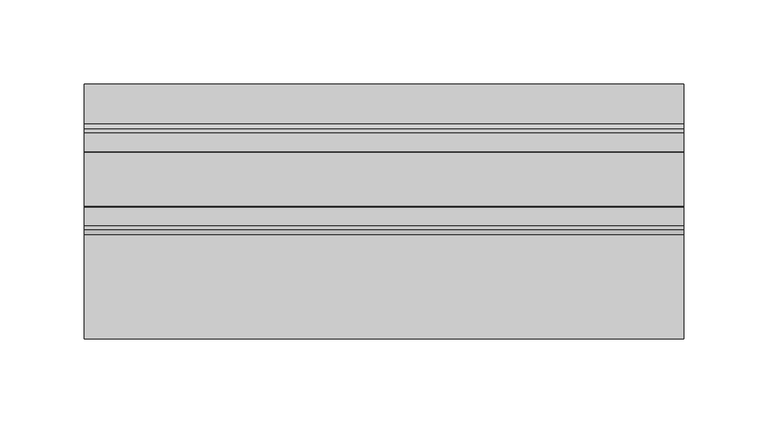
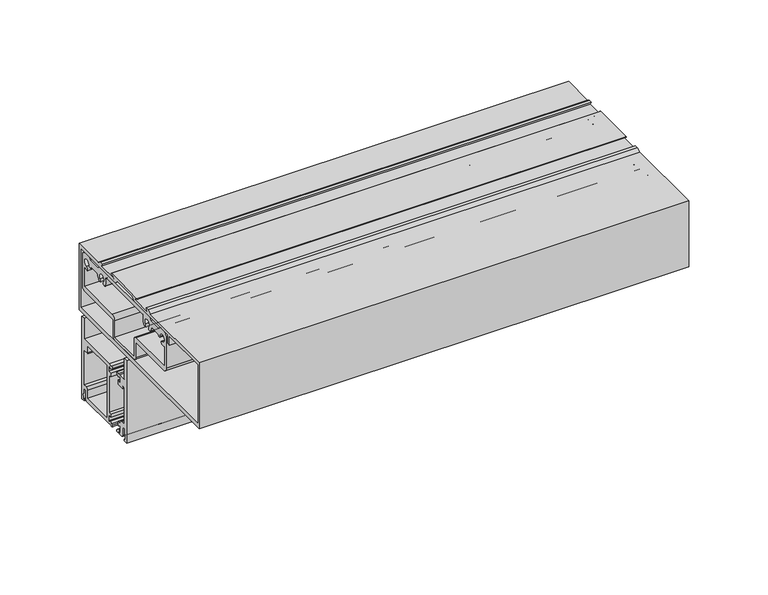
"""IFC4 building model written with IfcOpenShell, lengths in millimetres: plate geometry."""

from ifc_helpers import new_model, si_unit, point, frame, frame_2d, origin, place, context, project, spatial, polyline, circle_curve, trimmed, segment, composite_curve, outline, extrude, source, transform, mapped, element, save


def plate_07cf5c32(model_context):
    return source(origin(), model_context, "Body", "SweptSolid", [
        extrude(outline(composite_curve([segment(polyline([(19.0500001, 280.6474153), (19.0500001, 296.5224153), (21.8948001, 296.5224153), (21.8948001, 233.0224153), (19.0500001, 233.0224153), (19.0500001, 234.2924153), (19.862795, 234.2924153), (19.4499993, 242.5220153), (17.0688001, 242.5220153), (17.0688001, 236.1910934)]), True, "CONTINUOUS"), segment(trimmed(circle_curve(frame_2d((15.4940001, 236.1910934)), 1.5748), [point((17.0688001, 236.1910934))], [point((15.4940001, 234.6162934))], False, "CARTESIAN"), True, "CONTINUOUS"), segment(polyline([(15.4940001, 234.6162934), (-12.4616861, 234.6162934), (-14.6792966, 235.2105003), (-15.283713, 234.707152)]), True, "CONTINUOUS"), segment(trimmed(circle_curve(frame_2d((-15.8690069, 235.287496)), 0.8242378), [point((-15.283713, 234.707152))], [point((-16.5466491, 235.7567177))], False, "CARTESIAN"), True, "CONTINUOUS"), segment(polyline([(-16.5466491, 235.7567177), (-15.8444381, 236.7708392), (-14.1842071, 237.500107), (-12.9464135, 236.3561103)]), True, "CONTINUOUS"), segment(trimmed(circle_curve(frame_2d((-12.3966681, 236.5800475)), 0.5936058), [point((-12.9464135, 236.3561103))], [point((-11.8030624, 236.5800475))], True, "CARTESIAN"), True, "CONTINUOUS"), segment(polyline([(-11.8030624, 236.5800475), (-11.8030624, 241.6113576), (-14.8259799, 241.1722604), (-14.8259799, 243.3199966), (-12.4078999, 243.3199966), (-12.4078999, 271.9437121), (-14.8259799, 271.9437121), (-14.8259799, 274.8939851), (-12.0014999, 274.4837121), (-12.0014999, 278.6836612)]), True, "CONTINUOUS"), segment(trimmed(circle_curve(frame_2d((-12.5951057, 278.6836612)), 0.5936058), [point((-12.0014999, 278.6836612))], [point((-13.1887114, 278.6836612))], True, "CARTESIAN"), True, "CONTINUOUS"), segment(polyline([(-13.1887114, 278.6836612), (-14.1842071, 277.7636016), (-15.8444381, 278.4928695), (-16.5466491, 279.506991)]), True, "CONTINUOUS"), segment(trimmed(circle_curve(frame_2d((-15.8690069, 279.9762127)), 0.8242378), [point((-16.5466491, 279.506991))], [point((-15.283713, 280.5565566))], False, "CARTESIAN"), True, "CONTINUOUS"), segment(polyline([(-15.283713, 280.5565566), (-14.6792966, 280.0532084), (-12.4616861, 280.6474153), (19.0500001, 280.6474153)]), True, "CONTINUOUS")], self_intersect=False), holes=[composite_curve([segment(trimmed(circle_curve(frame_2d((15.0876001, 272.7311121)), 0.7874), [point((15.0876001, 271.9437121))], [point((14.3002001, 272.7311121))], False, "CARTESIAN"), True, "CONTINUOUS"), segment(polyline([(14.3002001, 272.7311121), (14.3002001, 277.4724153), (-9.2328999, 277.4724153), (-9.2328999, 237.7912934), (14.3002001, 237.7912934), (14.3002001, 244.1222153)]), True, "CONTINUOUS"), segment(trimmed(circle_curve(frame_2d((15.8750001, 244.1222153)), 1.5748), [point((14.3002001, 244.1222153))], [point((15.8750001, 245.6970153))], False, "CARTESIAN"), True, "CONTINUOUS"), segment(polyline([(15.8750001, 245.6970153), (18.7198001, 245.6970153), (18.7198001, 271.9437121), (15.0876001, 271.9437121)]), True, "CONTINUOUS")], self_intersect=False)]), frame((-177.8, 0.0, 0.0), z_axis=(1.0, 0.0, 0.0), x_axis=(0.0, 1.0, 0.0)), (0.0, 0.0, 1.0), 355.6),
        extrude(outline(composite_curve([segment(polyline([(-23.7820199, 239.8550278), (-26.6064999, 241.4857421), (-26.6064999, 236.5918521)]), True, "CONTINUOUS"), segment(trimmed(circle_curve(frame_2d((-26.0984998, 236.5918521)), 0.508), [point((-26.6064999, 236.5918521))], [point((-26.0926066, 236.0838862))], True, "CARTESIAN"), True, "CONTINUOUS"), segment(polyline([(-26.0926066, 236.0838862), (-24.4021052, 237.5023853), (-22.7635618, 236.7826438), (-21.9926524, 235.6693093), (-21.9926524, 234.6280979), (-23.1924006, 234.6280979), (-23.8073259, 235.2430233), (-26.146241, 234.6163129), (-28.1861634, 234.6163129)]), True, "CONTINUOUS"), segment(trimmed(circle_curve(frame_2d((-28.1939999, 236.1910934)), 1.5748), [point((-28.1861634, 234.6163129))], [point((-29.7687999, 236.1910934))], False, "CARTESIAN"), True, "CONTINUOUS"), segment(polyline([(-29.7687999, 236.1910934), (-29.7687999, 242.5220153), (-32.1499991, 242.5220153), (-32.5627999, 234.2924153), (-31.7499999, 234.2924153), (-31.7499999, 233.0224153), (-34.5947999, 233.0224153), (-34.5947999, 296.5224153), (-31.7499999, 296.5224153), (-31.7499999, 280.6474153), (-26.1463137, 280.6474153), (-23.9287032, 280.0532084), (-22.4438438, 280.6474153), (-21.9101175, 279.7229743), (-22.7675508, 278.4984326), (-24.238078, 277.7465668), (-26.6064998, 279.4049536), (-26.6064998, 273.7897712), (-23.7820198, 275.4204855), (-23.7820198, 271.9437121), (-29.7698572, 271.9437121), (-29.7698572, 273.4424337)]), True, "CONTINUOUS"), segment(trimmed(circle_curve(frame_2d((-30.5958838, 273.4424337)), 0.8260266), [point((-29.7698572, 273.4424337))], [point((-31.4219104, 273.4424337))], True, "CARTESIAN"), True, "CONTINUOUS"), segment(polyline([(-31.4219104, 273.4424337), (-31.4219104, 245.6970153), (-28.1685999, 245.6970153)]), True, "CONTINUOUS"), segment(trimmed(circle_curve(frame_2d((-28.1685999, 244.1222153)), 1.5748), [point((-28.1685999, 245.6970153))], [point((-26.8134467, 243.3199966))], False, "CARTESIAN"), True, "CONTINUOUS"), segment(polyline([(-26.8134467, 243.3199966), (-23.7820199, 243.3199966), (-23.7820199, 239.8550278)]), True, "CONTINUOUS")], self_intersect=False)), frame((-177.8, 0.0, 0.0), z_axis=(1.0, 0.0, 0.0), x_axis=(0.0, 1.0, 0.0)), (0.0, 0.0, 1.0), 355.6),
        extrude(outline(composite_curve([segment(polyline([(19.0500001, 280.6474153), (19.0500001, 296.5224153), (21.8948001, 296.5224153), (21.8948001, 233.0224153), (19.0500001, 233.0224153), (19.0500001, 234.2924153), (19.862795, 234.2924153), (19.4499993, 242.5220153), (17.0688001, 242.5220153), (17.0688001, 236.1910934)]), True, "CONTINUOUS"), segment(trimmed(circle_curve(frame_2d((15.4940001, 236.1910934)), 1.5748), [point((17.0688001, 236.1910934))], [point((15.4940001, 234.6162934))], False, "CARTESIAN"), True, "CONTINUOUS"), segment(polyline([(15.4940001, 234.6162934), (-12.4616861, 234.6162934), (-14.6792966, 235.2105003), (-15.283713, 234.707152)]), True, "CONTINUOUS"), segment(trimmed(circle_curve(frame_2d((-15.8690069, 235.287496)), 0.8242378), [point((-15.283713, 234.707152))], [point((-16.5466491, 235.7567177))], False, "CARTESIAN"), True, "CONTINUOUS"), segment(polyline([(-16.5466491, 235.7567177), (-15.8444381, 236.7708392), (-14.1842071, 237.500107), (-12.9464135, 236.3561103)]), True, "CONTINUOUS"), segment(trimmed(circle_curve(frame_2d((-12.3966681, 236.5800475)), 0.5936058), [point((-12.9464135, 236.3561103))], [point((-11.8030624, 236.5800475))], True, "CARTESIAN"), True, "CONTINUOUS"), segment(polyline([(-11.8030624, 236.5800475), (-11.8030624, 241.6113576), (-14.8259799, 241.1722604), (-14.8259799, 243.3199966), (-12.4078999, 243.3199966), (-12.4078999, 271.9437121), (-14.8259799, 271.9437121), (-14.8259799, 274.8939851), (-12.0014999, 274.4837121), (-12.0014999, 278.6836612)]), True, "CONTINUOUS"), segment(trimmed(circle_curve(frame_2d((-12.5951057, 278.6836612)), 0.5936058), [point((-12.0014999, 278.6836612))], [point((-13.1887114, 278.6836612))], True, "CARTESIAN"), True, "CONTINUOUS"), segment(polyline([(-13.1887114, 278.6836612), (-14.1842071, 277.7636016), (-15.8444381, 278.4928695), (-16.5466491, 279.506991)]), True, "CONTINUOUS"), segment(trimmed(circle_curve(frame_2d((-15.8690069, 279.9762127)), 0.8242378), [point((-16.5466491, 279.506991))], [point((-15.283713, 280.5565566))], False, "CARTESIAN"), True, "CONTINUOUS"), segment(polyline([(-15.283713, 280.5565566), (-14.6792966, 280.0532084), (-12.4616861, 280.6474153), (19.0500001, 280.6474153)]), True, "CONTINUOUS")], self_intersect=False), holes=[composite_curve([segment(trimmed(circle_curve(frame_2d((15.0876001, 272.7311121)), 0.7874), [point((15.0876001, 271.9437121))], [point((14.3002001, 272.7311121))], False, "CARTESIAN"), True, "CONTINUOUS"), segment(polyline([(14.3002001, 272.7311121), (14.3002001, 277.4724153), (-9.2328999, 277.4724153), (-9.2328999, 237.7912934), (14.3002001, 237.7912934), (14.3002001, 244.1222153)]), True, "CONTINUOUS"), segment(trimmed(circle_curve(frame_2d((15.8750001, 244.1222153)), 1.5748), [point((14.3002001, 244.1222153))], [point((15.8750001, 245.6970153))], False, "CARTESIAN"), True, "CONTINUOUS"), segment(polyline([(15.8750001, 245.6970153), (18.7198001, 245.6970153), (18.7198001, 271.9437121), (15.0876001, 271.9437121)]), True, "CONTINUOUS")], self_intersect=False)]), frame((-177.8, 0.0, 0.0), z_axis=(1.0, 0.0, 0.0), x_axis=(0.0, 1.0, 0.0)), (0.0, 0.0, 1.0), 355.6),
        extrude(outline(composite_curve([segment(polyline([(-23.7820199, 239.8550278), (-26.6064999, 241.4857421), (-26.6064999, 236.5918521)]), True, "CONTINUOUS"), segment(trimmed(circle_curve(frame_2d((-26.0984998, 236.5918521)), 0.508), [point((-26.6064999, 236.5918521))], [point((-26.0926066, 236.0838862))], True, "CARTESIAN"), True, "CONTINUOUS"), segment(polyline([(-26.0926066, 236.0838862), (-24.4021052, 237.5023853), (-22.7635618, 236.7826438), (-21.9926524, 235.6693093), (-21.9926524, 234.6280979), (-23.1924006, 234.6280979), (-23.8073259, 235.2430233), (-26.146241, 234.6163129), (-28.1861634, 234.6163129)]), True, "CONTINUOUS"), segment(trimmed(circle_curve(frame_2d((-28.1939999, 236.1910934)), 1.5748), [point((-28.1861634, 234.6163129))], [point((-29.7687999, 236.1910934))], False, "CARTESIAN"), True, "CONTINUOUS"), segment(polyline([(-29.7687999, 236.1910934), (-29.7687999, 242.5220153), (-32.1499991, 242.5220153), (-32.5627999, 234.2924153), (-31.7499999, 234.2924153), (-31.7499999, 233.0224153), (-34.5947999, 233.0224153), (-34.5947999, 296.5224153), (-31.7499999, 296.5224153), (-31.7499999, 280.6474153), (-26.1463137, 280.6474153), (-23.9287032, 280.0532084), (-22.4438438, 280.6474153), (-21.9101175, 279.7229743), (-22.7675508, 278.4984326), (-24.238078, 277.7465668), (-26.6064998, 279.4049536), (-26.6064998, 273.7897712), (-23.7820198, 275.4204855), (-23.7820198, 271.9437121), (-29.7698572, 271.9437121), (-29.7698572, 273.4424337)]), True, "CONTINUOUS"), segment(trimmed(circle_curve(frame_2d((-30.5958838, 273.4424337)), 0.8260266), [point((-29.7698572, 273.4424337))], [point((-31.4219104, 273.4424337))], True, "CARTESIAN"), True, "CONTINUOUS"), segment(polyline([(-31.4219104, 273.4424337), (-31.4219104, 245.6970153), (-28.1685999, 245.6970153)]), True, "CONTINUOUS"), segment(trimmed(circle_curve(frame_2d((-28.1685999, 244.1222153)), 1.5748), [point((-28.1685999, 245.6970153))], [point((-26.8134467, 243.3199966))], False, "CARTESIAN"), True, "CONTINUOUS"), segment(polyline([(-26.8134467, 243.3199966), (-23.7820199, 243.3199966), (-23.7820199, 239.8550278)]), True, "CONTINUOUS")], self_intersect=False)), frame((-177.8, 0.0, 0.0), z_axis=(1.0, 0.0, 0.0), x_axis=(0.0, 1.0, 0.0)), (0.0, 0.0, 1.0), 355.6),
        extrude(outline(composite_curve([segment(polyline([(-63.4339599, 347.3097153), (0.0660401, 347.3097153), (1.6408401, 345.7349153), (11.1785401, 345.7349153), (12.7660401, 347.3097153), (17.8435001, 347.3097153)]), True, "CONTINUOUS"), segment(trimmed(circle_curve(frame_2d((17.8435001, 344.1347153)), 3.175), [point((17.8435001, 347.3097153))], [point((21.0185001, 344.1347153))], False, "CARTESIAN"), True, "CONTINUOUS"), segment(polyline([(21.0185001, 344.1347153), (21.0185001, 320.6651153)]), True, "CONTINUOUS"), segment(trimmed(circle_curve(frame_2d((17.8435001, 320.6651153)), 3.175), [point((21.0185001, 320.6651153))], [point((17.8435001, 317.4901153))], False, "CARTESIAN"), True, "CONTINUOUS"), segment(polyline([(17.8435001, 317.4901153), (-17.4599599, 317.4901153), (-17.4599599, 305.6537153)]), True, "CONTINUOUS"), segment(trimmed(circle_curve(frame_2d((-19.8475599, 305.6537153)), 2.3876), [point((-17.4599599, 305.6537153))], [point((-19.8475599, 303.2661153))], False, "CARTESIAN"), True, "CONTINUOUS"), segment(polyline([(-19.8475599, 303.2661153), (-43.5203599, 303.2661153)]), True, "CONTINUOUS"), segment(trimmed(circle_curve(frame_2d((-43.5203599, 305.6537153)), 2.3876), [point((-43.5203599, 303.2661153))], [point((-45.9079599, 305.6537153))], False, "CARTESIAN"), True, "CONTINUOUS"), segment(polyline([(-45.9079599, 305.6537153), (-45.9079599, 317.4901153), (-81.2164999, 317.4901153)]), True, "CONTINUOUS"), segment(trimmed(circle_curve(frame_2d((-81.2164999, 320.6651153)), 3.175), [point((-81.2164999, 317.4901153))], [point((-84.3914999, 320.6651153))], False, "CARTESIAN"), True, "CONTINUOUS"), segment(polyline([(-84.3914999, 320.6651153), (-84.3914999, 344.1347153)]), True, "CONTINUOUS"), segment(trimmed(circle_curve(frame_2d((-81.2164999, 344.1347153)), 3.175), [point((-84.3914999, 344.1347153))], [point((-81.2164999, 347.3097153))], False, "CARTESIAN"), True, "CONTINUOUS"), segment(polyline([(-81.2164999, 347.3097153), (-76.1339599, 347.3097153), (-74.5591599, 345.7349153), (-65.0087599, 345.7349153), (-63.4339599, 347.3097153)]), True, "CONTINUOUS")], self_intersect=False), holes=[composite_curve([segment(polyline([(-66.513474, 340.6549153), (-73.6490099, 340.6549153)]), True, "CONTINUOUS"), segment(trimmed(circle_curve(frame_2d((-75.1940964, 340.9597153)), 1.5748635), [point((-73.6490099, 340.6549153))], [point((-76.7689599, 340.9597153))], False, "CARTESIAN"), True, "CONTINUOUS"), segment(trimmed(circle_curve(frame_2d((-79.3089599, 340.9597153)), 2.54), [point((-76.7689599, 340.9597153))], [point((-79.3089599, 338.4197153))], True, "CARTESIAN"), True, "CONTINUOUS"), segment(trimmed(circle_curve(frame_2d((-79.3089599, 336.8448518)), 1.5748635), [point((-79.3089599, 338.4197153))], [point((-79.3089599, 335.2699883))], False, "CARTESIAN"), True, "CONTINUOUS"), segment(trimmed(circle_curve(frame_2d((-79.3089599, 340.9597153)), 5.689727), [point((-79.3089599, 335.2699883))], [point((-81.6228999, 335.7617662))], False, "CARTESIAN"), True, "CONTINUOUS"), segment(polyline([(-81.6228999, 335.7617662), (-81.6228999, 321.4525153), (-46.6953599, 321.4525153)]), True, "CONTINUOUS"), segment(trimmed(circle_curve(frame_2d((-46.6953599, 318.2775153)), 3.175), [point((-46.6953599, 321.4525153))], [point((-43.5203599, 318.2775153))], False, "CARTESIAN"), True, "CONTINUOUS"), segment(polyline([(-43.5203599, 318.2775153), (-43.5203599, 305.6537153), (-19.8475599, 305.6537153), (-19.8475599, 318.2775153)]), True, "CONTINUOUS"), segment(trimmed(circle_curve(frame_2d((-16.6725599, 318.2775153)), 3.175), [point((-19.8475599, 318.2775153))], [point((-16.6725599, 321.4525153))], False, "CARTESIAN"), True, "CONTINUOUS"), segment(polyline([(-16.6725599, 321.4525153), (18.2499001, 321.4525153), (18.2499001, 335.7617662)]), True, "CONTINUOUS"), segment(trimmed(circle_curve(frame_2d((15.9359601, 340.9597153)), 5.689727), [point((18.2499001, 335.7617662))], [point((15.9359601, 335.2699883))], False, "CARTESIAN"), True, "CONTINUOUS"), segment(trimmed(circle_curve(frame_2d((15.9359601, 336.8448518)), 1.5748635), [point((15.9359601, 335.2699883))], [point((15.9359601, 338.4197153))], False, "CARTESIAN"), True, "CONTINUOUS"), segment(trimmed(circle_curve(frame_2d((15.9359601, 340.9597153)), 2.54), [point((15.9359601, 338.4197153))], [point((13.3959601, 340.9597153))], True, "CARTESIAN"), True, "CONTINUOUS"), segment(trimmed(circle_curve(frame_2d((11.8210966, 340.9597153)), 1.5748635), [point((13.3959601, 340.9597153))], [point((10.2760102, 340.6549153))], False, "CARTESIAN"), True, "CONTINUOUS"), segment(polyline([(10.2760102, 340.6549153), (3.1404743, 340.6549153)]), True, "CONTINUOUS"), segment(trimmed(circle_curve(frame_2d((3.1404743, 340.0199153)), 0.635), [point((3.1404743, 340.6549153))], [point((2.5125237, 340.1142708))], True, "CARTESIAN"), True, "CONTINUOUS"), segment(trimmed(circle_curve(frame_2d((-3.1140399, 340.9597153)), 5.689727), [point((2.5125237, 340.1142708))], [point((0.9092047, 336.9364708))], False, "CARTESIAN"), True, "CONTINUOUS"), segment(trimmed(circle_curve(frame_2d((-0.204392, 338.0500674)), 1.5748635), [point((0.9092047, 336.9364708))], [point((-1.3179886, 339.1636641))], False, "CARTESIAN"), True, "CONTINUOUS"), segment(trimmed(circle_curve(frame_2d((-3.1140399, 340.9597153)), 2.54), [point((-1.3179886, 339.1636641))], [point((-4.9100911, 339.1636641))], True, "CARTESIAN"), True, "CONTINUOUS"), segment(trimmed(circle_curve(frame_2d((-6.0236877, 338.0500674)), 1.5748635), [point((-4.9100911, 339.1636641))], [point((-7.1372844, 336.9364708))], False, "CARTESIAN"), True, "CONTINUOUS"), segment(trimmed(circle_curve(frame_2d((-3.1140399, 340.9597153)), 5.689727), [point((-7.1372844, 336.9364708))], [point((-8.3247823, 343.2447002))], False, "CARTESIAN"), True, "CONTINUOUS"), segment(trimmed(circle_curve(frame_2d((-8.9063254, 343.4997152)), 0.635), [point((-8.3247823, 343.2447002))], [point((-8.9063237, 344.1347152))], True, "CARTESIAN"), True, "CONTINUOUS"), segment(polyline([(-8.9063237, 344.1347152), (-54.4667283, 344.1348424)]), True, "CONTINUOUS"), segment(trimmed(circle_curve(frame_2d((-54.4667301, 343.4998424)), 0.635), [point((-54.4667283, 344.1348424))], [point((-55.0482676, 343.2448147))], True, "CARTESIAN"), True, "CONTINUOUS"), segment(trimmed(circle_curve(frame_2d((-60.2589599, 340.9597153)), 5.689727), [point((-55.0482676, 343.2448147))], [point((-56.2357153, 336.9364708))], False, "CARTESIAN"), True, "CONTINUOUS"), segment(trimmed(circle_curve(frame_2d((-57.349312, 338.0500674)), 1.5748635), [point((-56.2357153, 336.9364708))], [point((-58.4629086, 339.1636641))], False, "CARTESIAN"), True, "CONTINUOUS"), segment(trimmed(circle_curve(frame_2d((-60.2589599, 340.9597153)), 2.54), [point((-58.4629086, 339.1636641))], [point((-62.0550111, 339.1636641))], True, "CARTESIAN"), True, "CONTINUOUS"), segment(trimmed(circle_curve(frame_2d((-63.1686077, 338.0500674)), 1.5748635), [point((-62.0550111, 339.1636641))], [point((-64.2822044, 336.9364708))], False, "CARTESIAN"), True, "CONTINUOUS"), segment(trimmed(circle_curve(frame_2d((-60.2589599, 340.9597153)), 5.689727), [point((-64.2822044, 336.9364708))], [point((-65.8855234, 340.1142708))], False, "CARTESIAN"), True, "CONTINUOUS"), segment(trimmed(circle_curve(frame_2d((-66.513474, 340.0199153)), 0.635), [point((-65.8855234, 340.1142708))], [point((-66.513474, 340.6549153))], True, "CARTESIAN"), True, "CONTINUOUS")], self_intersect=False)]), frame((-177.8, 0.0, 0.0), z_axis=(1.0, 0.0, 0.0), x_axis=(0.0, 1.0, 0.0)), (0.0, 0.0, 1.0), 355.6),
        extrude(outline(composite_curve([segment(polyline([(-1.4427199, 352.0722153), (1.3131801, 350.4847153), (24.9174001, 350.4847153), (24.9174001, 299.6847153), (-126.2583199, 299.6847153), (-126.2583199, 350.4847153), (-64.5236199, 350.4847153), (-61.7677199, 352.0722153), (-59.257434, 352.0722153), (-60.6700126, 349.6084153), (-45.1673656, 349.6084153)]), True, "CONTINUOUS"), segment(trimmed(circle_curve(frame_2d((-45.1531754, 350.0604677)), 0.4522751), [point((-45.1673656, 349.6084153))], [point((-44.9964378, 350.4847153))], True, "CARTESIAN"), True, "CONTINUOUS"), segment(polyline([(-44.9964378, 350.4847153), (-47.6845476, 351.4778336)]), True, "CONTINUOUS"), segment(trimmed(circle_curve(frame_2d((-47.5894399, 351.7674153)), 0.3048), [point((-47.6845476, 351.4778336))], [point((-47.5894399, 352.0722153))], False, "CARTESIAN"), True, "CONTINUOUS"), segment(polyline([(-47.5894399, 352.0722153), (-15.6159199, 352.0722153)]), True, "CONTINUOUS"), segment(trimmed(circle_curve(frame_2d((-15.6159199, 351.7674153)), 0.3048), [point((-15.6159199, 352.0722153))], [point((-15.5212312, 351.4776963))], False, "CARTESIAN"), True, "CONTINUOUS"), segment(polyline([(-15.5212312, 351.4776963), (-18.2089219, 350.4847153)]), True, "CONTINUOUS"), segment(trimmed(circle_curve(frame_2d((-18.0522213, 350.0605753)), 0.4521613), [point((-18.2089219, 350.4847153))], [point((-18.0511075, 349.6084153))], True, "CARTESIAN"), True, "CONTINUOUS"), segment(polyline([(-18.0511075, 349.6084153), (-2.526599, 349.6084153), (-3.9486581, 352.0722153), (-1.4427199, 352.0722153)]), True, "CONTINUOUS")], self_intersect=False), holes=[polyline([(-123.8707199, 302.8597153), (22.5298001, 302.8597153), (22.5298001, 347.3097153), (-20.0151999, 347.3097153), (-22.4916999, 349.7862153), (-40.7492199, 349.7862153), (-43.2257199, 347.3097153), (-85.7707199, 347.3097153), (-85.7707199, 340.9597153), (-88.1583199, 340.9597153), (-88.1583199, 347.3097153), (-123.8707199, 347.3097153), (-123.8707199, 302.8597153)])]), frame((-177.8, 0.0, 0.0), z_axis=(1.0, 0.0, 0.0), x_axis=(0.0, 1.0, 0.0)), (0.0, 0.0, 1.0), 355.6),
    ])


if __name__ == "__main__":
    model = new_model("IFC4")
    model_context = context("Model", 3, world=origin())
    ifc_project = project(units=[si_unit("LENGTHUNIT", "METRE", prefix="MILLI")], contexts=[model_context])
    site = spatial("IfcSite", under=ifc_project)
    building = spatial("IfcBuilding", under=site)
    placement = place(None, origin())
    plate_shape = plate_07cf5c32(model_context)
    element("IfcPlate", 1, at=placement, inside=building, context=model_context, shape_type="MappedRepresentation", body=[
        mapped(plate_shape, transform((0.0, 0.0, 0.0), x_axis=(1.0, 0.0, 0.0), y_axis=(0.0, 1.0, 0.0), z_axis=(0.0, 0.0, 1.0))),
    ])
    save(model, "model.ifc")
